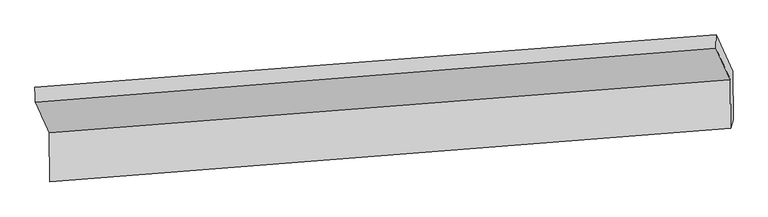
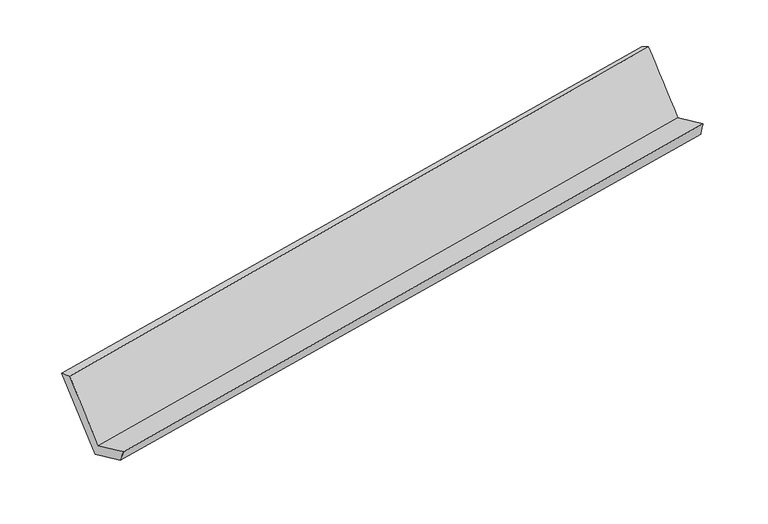
"""IFC4 building model written with IfcOpenShell, lengths in millimetres: proxy geometry."""

from ifc_helpers import new_model, si_unit, frame, origin, place, context, project, spatial, source, transform, mapped, element, save
from ifc_brep_helpers import plane_surface, spline_surface, advanced_brep


def generic_models_68021372(model_context):
    return source(origin(), model_context, "Body", "AdvancedBrep", [
        advanced_brep(
        [(-5537.3586767, -1470.6494028, 1820.8778676), (-5428.7059101, -1706.3676572, 1298.1175369), (-232.705297, -1299.6092566, 2199.0374256), (-343.9947193, -1058.9258705, 2732.8130556), (-5426.7936424, -2078.2888242, 1466.2182443), (-230.8080771, -1668.6037566, 2365.8153398), (-5410.9808253, -1999.0195625, 1335.3844377), (-212.3172128, -1604.7278137, 2227.0646552), (-5412.8628708, -1632.9763693, 1169.9404534), (-214.2245581, -1233.7640034, 2059.3966533), (-5539.8304947, -1357.5246935, 1780.8189342), (-341.648878, -958.186, 2670.5598281)],
        [
            (0, 1),
            (1, 2),
            (2, 3),
            (3, 0),
            (1, 4),
            (4, 5),
            (5, 2),
            (4, 6),
            (6, 7),
            (7, 5),
            (6, 8),
            (8, 9),
            (9, 7),
            (8, 10),
            (10, 11),
            (11, 9),
            (10, 0),
            (3, 11),
        ],
        [
            spline_surface(1, 1, [[(-5537.3586767, -1470.6494028, 1820.8778676), (-343.9947193, -1058.9258705, 2732.8130556)], [(-5428.7059101, -1706.3676572, 1298.1175369), (-232.705297, -1299.6092566, 2199.0374256)]], [2, 2], [2, 2], [0.0, 1.0], [0.0, 1.0]),
            plane_surface(frame((-5427.7497762, -1892.3282407, 1382.1678906), z_axis=(-0.1868883776563574, 0.4038094650978347, 0.8955504732813083), x_axis=(0.0046852018526915605, -0.9112352803067443, 0.41185957899251135))),
            spline_surface(1, 1, [[(-5426.7936424, -2078.2888242, 1466.2182443), (-230.8080771, -1668.6037566, 2365.8153398)], [(-5410.9808253, -1999.0195625, 1335.3844377), (-212.3172128, -1604.7278137, 2227.0646552)]], [2, 2], [2, 2], [0.0, 1.0], [0.0, 1.0]),
            plane_surface(frame((-5411.9218481, -1815.9979659, 1252.6624455), z_axis=(0.18432345441959957, -0.40401996168197735, -0.8959870170450684), x_axis=(-0.004685201852691493, 0.9112352803067444, -0.4118595789925113))),
            spline_surface(1, 1, [[(-5412.8628708, -1632.9763693, 1169.9404534), (-214.2245581, -1233.7640034, 2059.3966533)], [(-5539.8304947, -1357.5246935, 1780.8189342), (-341.648878, -958.186, 2670.5598281)]], [2, 2], [2, 2], [0.0, 1.0], [0.0, 1.0]),
            spline_surface(1, 1, [[(-5539.8304947, -1357.5246935, 1780.8189342), (-341.648878, -958.186, 2670.5598281)], [(-5537.3586767, -1470.6494028, 1820.8778676), (-343.9947193, -1058.9258705, 2732.8130556)]], [2, 2], [2, 2], [0.0, 1.0], [0.0, 1.0]),
            plane_surface(frame((-262.616457, -1303.9694501, 2375.7811596), z_axis=(0.9824013403417725, 0.08109981811167936, 0.16825702361845551), x_axis=(-0.18672347302438733, 0.40382308431605846, 0.8955787297581249))),
            plane_surface(frame((-5459.42207, -1707.4710849, 1478.559579), z_axis=(-0.9825080918806054, -0.08086858715452908, -0.1677442130172083), x_axis=(-0.020592743796268898, 0.9424432453165237, -0.3337314313339397))),
        ],
        [
            (0, [[1, 2, 3, 4]]),
            (1, [[5, 6, 7, -2]]),
            (2, [[8, 9, 10, -6]]),
            (3, [[11, 12, 13, -9]]),
            (4, [[14, 15, 16, -12]]),
            (5, [[17, -4, 18, -15]]),
            (6, [[-16, -18, -3, -7, -10, -13]]),
            (7, [[-17, -14, -11, -8, -5, -1]]),
        ],
    ),
    ])


if __name__ == "__main__":
    model = new_model("IFC4")
    model_context = context("Model", 3, world=origin())
    ifc_project = project(units=[si_unit("LENGTHUNIT", "METRE", prefix="MILLI")], contexts=[model_context])
    site = spatial("IfcSite", under=ifc_project)
    building = spatial("IfcBuilding", under=site)
    placement = place(None, origin())
    generic_models_shape = generic_models_68021372(model_context)
    element("IfcBuildingElementProxy", 1, Name="Generic Models", at=placement, inside=building, context=model_context, shape_type="MappedRepresentation", body=[
        mapped(generic_models_shape, transform((0.0, 0.0, 0.0), x_axis=(1.0, 0.0, 0.0), y_axis=(0.0, 1.0, 0.0), z_axis=(0.0, 0.0, 1.0))),
    ])
    save(model, "model.ifc")
